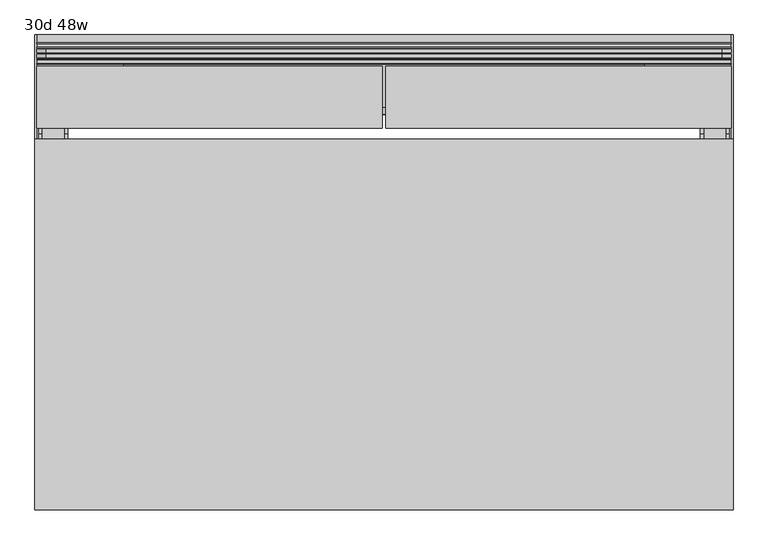
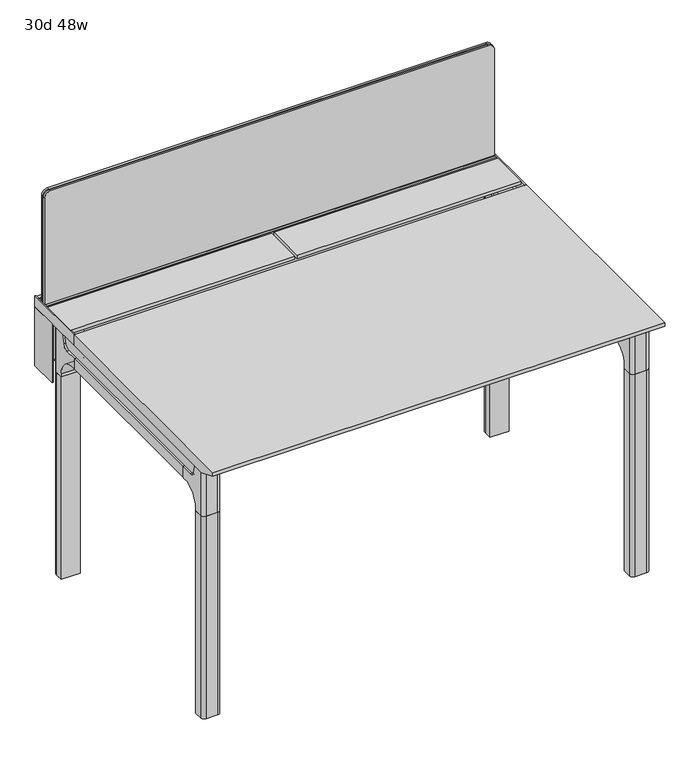
"""IFC4 building model written with IfcOpenShell, lengths in millimetres: furniture geometry, 30d 48w."""

from ifc_helpers import new_model, si_unit, point, frame, frame_2d, origin, place, context, project, spatial, polyline, circle_curve, trimmed, segment, composite_curve, outline, extrude, source, transform, mapped, element, save
from ifc_brep_helpers import plane_surface, cylinder_surface, revolved_surface, advanced_brep


def furniture_30d_48w_3d7915da(model_context):
    return source(origin(), model_context, "Body", "SolidModel", [
        extrude(outline(composite_curve([segment(polyline([(-171.6458172, 542.478661), (-293.447806, 542.478661)]), True, "CONTINUOUS"), segment(trimmed(circle_curve(frame_2d((-293.447806, 555.972411)), 13.49375), [point((-293.447806, 542.478661))], [point((-306.941556, 555.972411))], False, "CARTESIAN"), True, "CONTINUOUS"), segment(polyline([(-306.941556, 555.972411), (-306.941556, 579.126206), (-306.147806, 579.126206), (-306.147806, 555.972411)]), True, "CONTINUOUS"), segment(trimmed(circle_curve(frame_2d((-293.447806, 555.972411)), 12.7), [point((-306.147806, 555.972411))], [point((-293.447806, 543.272411))], True, "CARTESIAN"), True, "CONTINUOUS"), segment(polyline([(-293.447806, 543.272411), (-171.6458172, 543.272411), (-171.6458172, 542.478661)]), True, "CONTINUOUS")], self_intersect=False)), frame((-238.125, 0.0, 0.0), z_axis=(1.0, 0.0, 0.0), x_axis=(0.0, 1.0, 0.0)), (0.0, 0.0, 1.0), 908.05),
        extrude(outline(polyline([(-167.2415802, 542.478661), (-171.6458172, 542.478661), (-171.6458172, 543.272411), (-168.0353302, 543.272411), (-168.0353302, 738.7080593), (-179.9097266, 738.7080593), (-179.9097266, 729.9768093), (-180.7034766, 729.9768093), (-180.7034766, 739.5018093), (-167.2415802, 739.5018093), (-167.2415802, 542.478661)])), frame((-390.525, 0.0, 0.0), z_axis=(1.0, 0.0, 0.0), x_axis=(0.0, 1.0, 0.0)), (0.0, 0.0, 1.0), 1212.85),
        extrude(outline(composite_curve([segment(polyline([(1054.89375, 803.275), (1054.89375, -371.475)]), True, "CONTINUOUS"), segment(trimmed(circle_curve(frame_2d((1039.01875, -371.475)), 15.875), [point((1054.89375, -371.475))], [point((1039.01875, -387.35))], False, "CARTESIAN"), True, "CONTINUOUS"), segment(polyline([(1039.01875, -387.35), (720.725, -387.35), (720.725, 819.15), (1039.01875, 819.15)]), True, "CONTINUOUS"), segment(trimmed(circle_curve(frame_2d((1039.01875, 803.275)), 15.875), [point((1039.01875, 819.15))], [point((1054.89375, 803.275))], False, "CARTESIAN"), True, "CONTINUOUS")], self_intersect=False)), frame((0.0, -201.3409766, 0.0), z_axis=(0.0, 1.0, 0.0), x_axis=(0.0, 0.0, 1.0)), (0.0, 0.0, 1.0), 3.175),
        extrude(outline(composite_curve([segment(polyline([(1058.06875, 806.45), (1058.06875, -374.65)]), True, "CONTINUOUS"), segment(trimmed(circle_curve(frame_2d((1042.19375, -374.65)), 15.875), [point((1058.06875, -374.65))], [point((1042.19375, -390.525))], False, "CARTESIAN"), True, "CONTINUOUS"), segment(polyline([(1042.19375, -390.525), (717.55, -390.525), (717.55, 822.325), (1042.19375, 822.325)]), True, "CONTINUOUS"), segment(trimmed(circle_curve(frame_2d((1042.19375, 806.45)), 15.875), [point((1042.19375, 822.325))], [point((1058.06875, 806.45))], False, "CARTESIAN"), True, "CONTINUOUS")], self_intersect=False)), frame((0.0, -198.1659766, 0.0), z_axis=(0.0, 1.0, 0.0), x_axis=(0.0, 0.0, 1.0)), (0.0, 0.0, 1.0), 5.55625),
        extrude(outline(composite_curve([segment(polyline([(1058.06875, 806.45), (1058.06875, -374.65)]), True, "CONTINUOUS"), segment(trimmed(circle_curve(frame_2d((1042.19375, -374.65)), 15.875), [point((1058.06875, -374.65))], [point((1042.19375, -390.525))], False, "CARTESIAN"), True, "CONTINUOUS"), segment(polyline([(1042.19375, -390.525), (717.55, -390.525), (717.55, 822.325), (1042.19375, 822.325)]), True, "CONTINUOUS"), segment(trimmed(circle_curve(frame_2d((1042.19375, 806.45)), 15.875), [point((1042.19375, 822.325))], [point((1058.06875, 806.45))], False, "CARTESIAN"), True, "CONTINUOUS")], self_intersect=False)), frame((0.0, -206.8972266, 0.0), z_axis=(0.0, 1.0, 0.0), x_axis=(0.0, 0.0, 1.0)), (0.0, 0.0, 1.0), 5.55625),
        extrude(outline(polyline([(-218.8034766, 715.9625), (-218.8034766, 741.3625), (-217.2159766, 741.3625), (-217.2159766, 720.725), (-210.8659766, 720.725), (-210.8659766, 741.3625), (-209.2784766, 741.3625), (-209.2784766, 717.55), (-190.2284766, 717.55), (-190.2284766, 741.3625), (-188.6409766, 741.3625), (-188.6409766, 720.725), (-182.2909766, 720.725), (-182.2909766, 741.3625), (-180.7034766, 741.3625), (-180.7034766, 715.9625), (-218.8034766, 715.9625)])), frame((-390.525, 0.0, 0.0), z_axis=(1.0, 0.0, 0.0), x_axis=(0.0, 1.0, 0.0)), (0.0, 0.0, 1.0), 1212.85),
        extrude(outline(composite_curve([segment(polyline([(-280.7159766, 711.2), (-289.7740774, 677.3947076)]), True, "CONTINUOUS"), segment(trimmed(circle_curve(frame_2d((-305.1081499, 681.5034599)), 15.875), [point((-289.7740774, 677.3947076))], [point((-305.1081499, 665.6284599))], False, "CARTESIAN"), True, "CONTINUOUS"), segment(polyline([(-305.1081499, 665.6284599), (-881.0050533, 665.6284599)]), True, "CONTINUOUS"), segment(trimmed(circle_curve(frame_2d((-881.0050533, 681.5034599)), 15.875), [point((-881.0050533, 665.6284599))], [point((-896.3391258, 677.3947076))], False, "CARTESIAN"), True, "CONTINUOUS"), segment(polyline([(-896.3391258, 677.3947076), (-905.3972266, 711.2), (-280.7159766, 711.2)]), True, "CONTINUOUS")], self_intersect=False)), frame((774.7, 0.0, 0.0), z_axis=(1.0, 0.0, 0.0), x_axis=(0.0, 1.0, 0.0)), (0.0, 0.0, 1.0), 38.1),
        extrude(outline(polyline([(819.15, -341.0409766), (819.15, -845.0722266), (768.35, -845.0722266), (768.35, -341.0409766), (819.15, -341.0409766)])), frame((0.0, 0.0, 635.6476591), z_axis=(0.0, 0.0, 1.0), x_axis=(1.0, 0.0, 0.0)), (0.0, 0.0, 1.0), 29.9808008),
        extrude(outline(composite_curve([segment(polyline([(-280.7159766, 711.2), (-289.7740774, 677.3947076)]), True, "CONTINUOUS"), segment(trimmed(circle_curve(frame_2d((-305.1081499, 681.5034599)), 15.875), [point((-289.7740774, 677.3947076))], [point((-305.1081499, 665.6284599))], False, "CARTESIAN"), True, "CONTINUOUS"), segment(polyline([(-305.1081499, 665.6284599), (-881.0050533, 665.6284599)]), True, "CONTINUOUS"), segment(trimmed(circle_curve(frame_2d((-881.0050533, 681.5034599)), 15.875), [point((-881.0050533, 665.6284599))], [point((-896.3391258, 677.3947076))], False, "CARTESIAN"), True, "CONTINUOUS"), segment(polyline([(-896.3391258, 677.3947076), (-905.3972266, 711.2), (-280.7159766, 711.2)]), True, "CONTINUOUS")], self_intersect=False)), frame((-381.0, 0.0, 0.0), z_axis=(1.0, 0.0, 0.0), x_axis=(0.0, 1.0, 0.0)), (0.0, 0.0, 1.0), 38.1),
        extrude(outline(polyline([(-336.55, -341.0409766), (-336.55, -845.0722266), (-387.35, -845.0722266), (-387.35, -341.0409766), (-336.55, -341.0409766)])), frame((0.0, 0.0, 635.6476591), z_axis=(0.0, 0.0, 1.0), x_axis=(1.0, 0.0, 0.0)), (0.0, 0.0, 1.0), 29.9808008),
        advanced_brep(
        [(819.15, -280.6696478, 711.2), (819.15, -289.7277486, 677.3947076), (819.15, -305.0618211, 665.6284599), (819.15, -341.0409766, 665.6284599), (819.15, -341.0409766, 635.6476591), (819.15, -329.9284766, 635.6476591), (819.15, -279.1284766, 584.8476591), (819.15, -279.1284766, 576.659375), (819.15, -256.9034766, 576.659375), (819.15, -256.9034766, 711.2), (768.35, -279.1284766, 576.659375), (768.35, -279.1284766, 584.8476591), (768.35, -329.9284766, 635.6476591), (768.35, -341.0409766, 635.6476591), (768.35, -341.0409766, 665.6284599), (768.35, -305.0618211, 665.6284599), (768.35, -289.7277486, 677.3947076), (768.35, -280.6696478, 711.2), (768.35, -256.9034766, 711.2), (768.35, -256.9034766, 576.659375), (809.625, -247.3784766, 711.2), (777.875, -247.3784766, 711.2), (777.875, -247.3784766, 576.659375), (809.625, -247.3784766, 576.659375)],
        [
            (0, 1),
            (1, 2, circle_curve(frame((819.15, -305.0618211, 681.5034599), z_axis=(-1.0, 0.0, 0.0), x_axis=(0.0, 1.0, 0.0)), 15.875)),
            (2, 3),
            (3, 4),
            (4, 5),
            (5, 6, circle_curve(frame((819.15, -329.9284766, 584.8476591), z_axis=(-1.0, 0.0, 0.0), x_axis=(0.0, 1.0, 0.0)), 50.8)),
            (6, 7),
            (7, 8),
            (8, 9),
            (9, 0),
            (10, 11),
            (11, 12, circle_curve(frame((768.35, -329.9284766, 584.8476591), z_axis=(1.0, 0.0, 0.0), x_axis=(0.0, 1.0, 0.0)), 50.8)),
            (12, 13),
            (13, 14),
            (14, 15),
            (15, 16, circle_curve(frame((768.35, -305.0618211, 681.5034599), z_axis=(1.0, 0.0, 0.0), x_axis=(0.0, 1.0, 0.0)), 15.875)),
            (16, 17),
            (17, 18),
            (18, 19),
            (19, 10),
            (17, 0),
            (9, 20, circle_curve(frame((809.625, -256.9034766, 711.2), z_axis=(0.0, 0.0, 1.0), x_axis=(-1.0, 0.0, 0.0)), 9.525)),
            (20, 21),
            (21, 18, circle_curve(frame((777.875, -256.9034766, 711.2), z_axis=(0.0, 0.0, 1.0), x_axis=(-1.0, 0.0, 0.0)), 9.525)),
            (16, 1),
            (15, 2),
            (14, 3),
            (13, 4),
            (12, 5),
            (7, 10),
            (19, 22, circle_curve(frame((777.875, -256.9034766, 576.659375), z_axis=(0.0, 0.0, -1.0), x_axis=(-1.0, 0.0, 0.0)), 9.525)),
            (22, 23),
            (23, 8, circle_curve(frame((809.625, -256.9034766, 576.659375), z_axis=(0.0, 0.0, -1.0), x_axis=(-1.0, 0.0, 0.0)), 9.525)),
            (11, 6),
            (23, 20),
            (21, 22),
        ],
        [
            plane_surface(frame((819.15, -240.451947, 711.2), z_axis=(1.0, 0.0, 0.0), x_axis=(0.0, -1.0, 0.0))),
            plane_surface(frame((768.35, -240.451947, 711.2), z_axis=(-1.0, 0.0, 0.0), x_axis=(0.0, 1.0, 0.0))),
            plane_surface(frame((819.15, -240.451947, 711.2), z_axis=(0.0, 0.0, 1.0), x_axis=(-1.0, 0.0, 0.0))),
            plane_surface(frame((819.15, -280.6696478, 711.2), z_axis=(0.0, -0.9659258262890683, 0.2588190451025207), x_axis=(-1.0, 0.0, 0.0))),
            revolved_surface(polyline([(768.35, -289.1868211, 681.5034599), (819.15, -289.1868211, 681.5034599)]), (768.35, -305.0618211, 681.5034599), (-1.0, 0.0, 0.0)),
            plane_surface(frame((819.15, -305.0618211, 665.6284599), z_axis=(0.0, 0.0, 1.0), x_axis=(-1.0, 0.0, 0.0))),
            plane_surface(frame((819.15, -341.0409766, 665.6284599), z_axis=(0.0, -1.0, 0.0), x_axis=(-1.0, 0.0, 0.0))),
            plane_surface(frame((819.15, -341.0409766, 635.6476591), z_axis=(0.0, 0.0, -1.0), x_axis=(-1.0, 0.0, 0.0))),
            plane_surface(frame((819.15, -279.1284766, 576.659375), z_axis=(0.0, 0.0, -1.0), x_axis=(-1.0, 0.0, 0.0))),
            revolved_surface(polyline([(768.35, -279.1284766, 584.8476591), (819.15, -279.1284766, 584.8476591)]), (768.35, -329.9284766, 584.8476591), (-1.0, 0.0, 0.0)),
            plane_surface(frame((819.15, -279.1284766, 584.8476591), z_axis=(0.0, -1.0, 0.0), x_axis=(-1.0, 0.0, 0.0))),
            cylinder_surface(frame((809.625, -256.9034766, 524.9807374), z_axis=(0.0, 0.0, -1.0), x_axis=(-1.0, 0.0, 0.0)), 9.525),
            cylinder_surface(frame((777.875, -256.9034766, 524.9807374), z_axis=(0.0, 0.0, -1.0), x_axis=(-1.0, 0.0, 0.0)), 9.525),
            plane_surface(frame((777.875, -247.3784766, 711.2), z_axis=(0.0, 1.0, 0.0), x_axis=(0.0, 0.0, -1.0))),
        ],
        [
            (0, [[1, 2, 3, 4, 5, 6, 7, 8, 9, 10]]),
            (1, [[11, 12, 13, 14, 15, 16, 17, 18, 19, 20]]),
            (2, [[21, -10, 22, 23, 24, -18]]),
            (3, [[-1, -21, -17, 25]]),
            (4, [[-2, -25, -16, 26]]),
            (5, [[-3, -26, -15, 27]]),
            (6, [[-4, -27, -14, 28]]),
            (7, [[-5, -28, -13, 29]]),
            (8, [[30, -20, 31, 32, 33, -8]]),
            (9, [[-6, -29, -12, 34]]),
            (10, [[-7, -34, -11, -30]]),
            (11, [[35, -22, -9, -33]]),
            (12, [[36, -31, -19, -24]]),
            (13, [[-35, -32, -36, -23]]),
        ],
    ),
        advanced_brep(
        [(768.35, -279.1284766, 576.659375), (819.15, -279.1284766, 576.659375), (819.15, -256.9034766, 576.659375), (809.625, -247.3784766, 576.659375), (777.875, -247.3784766, 576.659375), (768.35, -256.9034766, 576.659375), (768.35, -279.1284766, 0.0), (768.35, -256.9034766, 0.0), (777.875, -247.3784766, 0.0), (809.625, -247.3784766, 0.0), (819.15, -256.9034766, 0.0), (819.15, -279.1284766, 0.0), (819.15, -256.9034766, 524.9807374), (809.625, -247.3784766, 524.9807374), (777.875, -247.3784766, 524.9807374), (768.35, -256.9034766, 524.9807374)],
        [
            (0, 1),
            (1, 2),
            (2, 3, circle_curve(frame((809.625, -256.9034766, 576.659375), z_axis=(0.0, 0.0, 1.0), x_axis=(-1.0, 0.0, 0.0)), 9.525)),
            (3, 4),
            (4, 5, circle_curve(frame((777.875, -256.9034766, 576.659375), z_axis=(0.0, 0.0, 1.0), x_axis=(-1.0, 0.0, 0.0)), 9.525)),
            (5, 0),
            (6, 7),
            (7, 8, circle_curve(frame((777.875, -256.9034766, 0.0), z_axis=(0.0, 0.0, -1.0), x_axis=(-1.0, 0.0, 0.0)), 9.525)),
            (8, 9),
            (9, 10, circle_curve(frame((809.625, -256.9034766, 0.0), z_axis=(0.0, 0.0, -1.0), x_axis=(-1.0, 0.0, 0.0)), 9.525)),
            (10, 11),
            (11, 6),
            (0, 6),
            (11, 1),
            (10, 12),
            (12, 2),
            (9, 13),
            (13, 3),
            (8, 14),
            (14, 4),
            (7, 15),
            (15, 5),
        ],
        [
            plane_surface(frame((826.3462903, -279.1284766, 576.659375), z_axis=(0.0, 0.0, 1.0), x_axis=(1.0, 0.0, 0.0))),
            plane_surface(frame((826.3462903, -279.1284766, 0.0), z_axis=(0.0, 0.0, -1.0), x_axis=(-1.0, 0.0, 0.0))),
            plane_surface(frame((768.35, -279.1284766, 576.659375), z_axis=(0.0, -1.0, 0.0), x_axis=(0.0, 0.0, -1.0))),
            plane_surface(frame((819.15, -279.1284766, 576.659375), z_axis=(1.0, 0.0, 0.0), x_axis=(0.0, 0.0, -1.0))),
            cylinder_surface(frame((809.625, -256.9034766, 0.0), z_axis=(0.0, 0.0, 1.0), x_axis=(-1.0, 0.0, 0.0)), 9.525),
            plane_surface(frame((809.625, -247.3784766, 576.659375), z_axis=(0.0, 1.0, 0.0), x_axis=(0.0, 0.0, -1.0))),
            cylinder_surface(frame((777.875, -256.9034766, 0.0), z_axis=(0.0, 0.0, 1.0), x_axis=(-1.0, 0.0, 0.0)), 9.525),
            plane_surface(frame((768.35, -256.9034766, 576.659375), z_axis=(-1.0, 0.0, 0.0), x_axis=(0.0, 0.0, -1.0))),
        ],
        [
            (0, [[1, 2, 3, 4, 5, 6]]),
            (1, [[7, 8, 9, 10, 11, 12]]),
            (2, [[-1, 13, -12, 14]]),
            (3, [[-2, -14, -11, 15, 16]]),
            (4, [[-3, -16, -15, -10, 17, 18]]),
            (5, [[-4, -18, -17, -9, 19, 20]]),
            (6, [[-5, -20, -19, -8, 21, 22]]),
            (7, [[-6, -22, -21, -7, -13]]),
        ],
    ),
        advanced_brep(
        [(768.35, -905.4435553, 711.2), (768.35, -896.3854545, 677.3947076), (768.35, -881.051382, 665.6284599), (768.35, -845.0722266, 665.6284599), (768.35, -845.0722266, 635.6476591), (768.35, -856.1847266, 635.6476591), (768.35, -906.9847266, 584.8476591), (768.35, -906.9847266, 576.659375), (768.35, -929.2097266, 576.659375), (768.35, -929.2097266, 711.2), (819.15, -906.9847266, 576.659375), (819.15, -906.9847266, 584.8476591), (819.15, -856.1847266, 635.6476591), (819.15, -845.0722266, 635.6476591), (819.15, -845.0722266, 665.6284599), (819.15, -881.051382, 665.6284599), (819.15, -896.3854545, 677.3947076), (819.15, -905.4435553, 711.2), (819.15, -929.2097266, 711.2), (819.15, -929.2097266, 576.659375), (777.875, -938.7347266, 711.2), (809.625, -938.7347266, 711.2), (809.625, -938.7347266, 576.659375), (777.875, -938.7347266, 576.659375)],
        [
            (0, 1),
            (1, 2, circle_curve(frame((768.35, -881.051382, 681.5034599), z_axis=(1.0, 0.0, 0.0), x_axis=(0.0, -1.0, 0.0)), 15.875)),
            (2, 3),
            (3, 4),
            (4, 5),
            (5, 6, circle_curve(frame((768.35, -856.1847266, 584.8476591), z_axis=(1.0, 0.0, 0.0), x_axis=(0.0, -1.0, 0.0)), 50.8)),
            (6, 7),
            (7, 8),
            (8, 9),
            (9, 0),
            (10, 11),
            (11, 12, circle_curve(frame((819.15, -856.1847266, 584.8476591), z_axis=(-1.0, 0.0, 0.0), x_axis=(0.0, -1.0, 0.0)), 50.8)),
            (12, 13),
            (13, 14),
            (14, 15),
            (15, 16, circle_curve(frame((819.15, -881.051382, 681.5034599), z_axis=(-1.0, 0.0, 0.0), x_axis=(0.0, -1.0, 0.0)), 15.875)),
            (16, 17),
            (17, 18),
            (18, 19),
            (19, 10),
            (17, 0),
            (9, 20, circle_curve(frame((777.875, -929.2097266, 711.2), z_axis=(0.0, 0.0, 1.0), x_axis=(1.0, 0.0, 0.0)), 9.525)),
            (20, 21),
            (21, 18, circle_curve(frame((809.625, -929.2097266, 711.2), z_axis=(0.0, 0.0, 1.0), x_axis=(1.0, 0.0, 0.0)), 9.525)),
            (16, 1),
            (15, 2),
            (14, 3),
            (13, 4),
            (12, 5),
            (7, 10),
            (19, 22, circle_curve(frame((809.625, -929.2097266, 576.659375), z_axis=(0.0, 0.0, -1.0), x_axis=(1.0, 0.0, 0.0)), 9.525)),
            (22, 23),
            (23, 8, circle_curve(frame((777.875, -929.2097266, 576.659375), z_axis=(0.0, 0.0, -1.0), x_axis=(1.0, 0.0, 0.0)), 9.525)),
            (11, 6),
            (23, 20),
            (21, 22),
        ],
        [
            plane_surface(frame((768.35, -945.6612561, 711.2), z_axis=(-1.0, 0.0, 0.0), x_axis=(0.0, 1.0, 0.0))),
            plane_surface(frame((819.15, -945.6612561, 711.2), z_axis=(1.0, 0.0, 0.0), x_axis=(0.0, -1.0, 0.0))),
            plane_surface(frame((768.35, -945.6612561, 711.2), z_axis=(0.0, 0.0, 1.0), x_axis=(1.0, 0.0, 0.0))),
            plane_surface(frame((768.35, -905.4435553, 711.2), z_axis=(0.0, 0.9659258262890683, 0.2588190451025207), x_axis=(1.0, 0.0, 0.0))),
            revolved_surface(polyline([(819.15, -896.926382, 681.5034599), (768.35, -896.926382, 681.5034599)]), (819.15, -881.051382, 681.5034599), (1.0, 0.0, 0.0)),
            plane_surface(frame((768.35, -881.051382, 665.6284599), z_axis=(0.0, 0.0, 1.0), x_axis=(1.0, 0.0, 0.0))),
            plane_surface(frame((768.35, -845.0722266, 665.6284599), z_axis=(0.0, 1.0, 0.0), x_axis=(1.0, 0.0, 0.0))),
            plane_surface(frame((768.35, -845.0722266, 635.6476591), z_axis=(0.0, 0.0, -1.0), x_axis=(1.0, 0.0, 0.0))),
            plane_surface(frame((768.35, -906.9847266, 576.659375), z_axis=(0.0, 0.0, -1.0), x_axis=(1.0, 0.0, 0.0))),
            revolved_surface(polyline([(819.15, -906.9847265999999, 584.8476591), (768.35, -906.9847265999999, 584.8476591)]), (819.15, -856.1847266, 584.8476591), (1.0, 0.0, 0.0)),
            plane_surface(frame((768.35, -906.9847266, 584.8476591), z_axis=(0.0, 1.0, 0.0), x_axis=(1.0, 0.0, 0.0))),
            cylinder_surface(frame((777.875, -929.2097266, 524.9807374), z_axis=(0.0, 0.0, -1.0), x_axis=(1.0, 0.0, 0.0)), 9.525),
            cylinder_surface(frame((809.625, -929.2097266, 524.9807374), z_axis=(0.0, 0.0, -1.0), x_axis=(1.0, 0.0, 0.0)), 9.525),
            plane_surface(frame((809.625, -938.7347266, 711.2), z_axis=(0.0, -1.0, 0.0), x_axis=(0.0, 0.0, -1.0))),
        ],
        [
            (0, [[1, 2, 3, 4, 5, 6, 7, 8, 9, 10]]),
            (1, [[11, 12, 13, 14, 15, 16, 17, 18, 19, 20]]),
            (2, [[21, -10, 22, 23, 24, -18]]),
            (3, [[-1, -21, -17, 25]]),
            (4, [[-2, -25, -16, 26]]),
            (5, [[-3, -26, -15, 27]]),
            (6, [[-4, -27, -14, 28]]),
            (7, [[-5, -28, -13, 29]]),
            (8, [[30, -20, 31, 32, 33, -8]]),
            (9, [[-6, -29, -12, 34]]),
            (10, [[-7, -34, -11, -30]]),
            (11, [[35, -22, -9, -33]]),
            (12, [[36, -31, -19, -24]]),
            (13, [[-35, -32, -36, -23]]),
        ],
    ),
        advanced_brep(
        [(819.15, -906.9847266, 576.659375), (768.35, -906.9847266, 576.659375), (768.35, -929.2097266, 576.659375), (777.875, -938.7347266, 576.659375), (809.625, -938.7347266, 576.659375), (819.15, -929.2097266, 576.659375), (819.15, -906.9847266, 0.0), (819.15, -929.2097266, 0.0), (809.625, -938.7347266, 0.0), (777.875, -938.7347266, 0.0), (768.35, -929.2097266, 0.0), (768.35, -906.9847266, 0.0), (768.35, -929.2097266, 524.9807374), (777.875, -938.7347266, 524.9807374), (809.625, -938.7347266, 524.9807374), (819.15, -929.2097266, 524.9807374)],
        [
            (0, 1),
            (1, 2),
            (2, 3, circle_curve(frame((777.875, -929.2097266, 576.659375), z_axis=(0.0, 0.0, 1.0), x_axis=(1.0, 0.0, 0.0)), 9.525)),
            (3, 4),
            (4, 5, circle_curve(frame((809.625, -929.2097266, 576.659375), z_axis=(0.0, 0.0, 1.0), x_axis=(1.0, 0.0, 0.0)), 9.525)),
            (5, 0),
            (6, 7),
            (7, 8, circle_curve(frame((809.625, -929.2097266, 0.0), z_axis=(0.0, 0.0, -1.0), x_axis=(1.0, 0.0, 0.0)), 9.525)),
            (8, 9),
            (9, 10, circle_curve(frame((777.875, -929.2097266, 0.0), z_axis=(0.0, 0.0, -1.0), x_axis=(1.0, 0.0, 0.0)), 9.525)),
            (10, 11),
            (11, 6),
            (0, 6),
            (11, 1),
            (10, 12),
            (12, 2),
            (9, 13),
            (13, 3),
            (8, 14),
            (14, 4),
            (7, 15),
            (15, 5),
        ],
        [
            plane_surface(frame((761.1537097, -906.9847266, 576.659375), z_axis=(0.0, 0.0, 1.0), x_axis=(-1.0, 0.0, 0.0))),
            plane_surface(frame((761.1537097, -906.9847266, 0.0), z_axis=(0.0, 0.0, -1.0), x_axis=(1.0, 0.0, 0.0))),
            plane_surface(frame((819.15, -906.9847266, 576.659375), z_axis=(0.0, 1.0, 0.0), x_axis=(0.0, 0.0, -1.0))),
            plane_surface(frame((768.35, -906.9847266, 576.659375), z_axis=(-1.0, 0.0, 0.0), x_axis=(0.0, 0.0, -1.0))),
            cylinder_surface(frame((777.875, -929.2097266, 0.0), z_axis=(0.0, 0.0, 1.0), x_axis=(1.0, 0.0, 0.0)), 9.525),
            plane_surface(frame((777.875, -938.7347266, 576.659375), z_axis=(0.0, -1.0, 0.0), x_axis=(0.0, 0.0, -1.0))),
            cylinder_surface(frame((809.625, -929.2097266, 0.0), z_axis=(0.0, 0.0, 1.0), x_axis=(1.0, 0.0, 0.0)), 9.525),
            plane_surface(frame((819.15, -929.2097266, 576.659375), z_axis=(1.0, 0.0, 0.0), x_axis=(0.0, 0.0, -1.0))),
        ],
        [
            (0, [[1, 2, 3, 4, 5, 6]]),
            (1, [[7, 8, 9, 10, 11, 12]]),
            (2, [[-1, 13, -12, 14]]),
            (3, [[-2, -14, -11, 15, 16]]),
            (4, [[-3, -16, -15, -10, 17, 18]]),
            (5, [[-4, -18, -17, -9, 19, 20]]),
            (6, [[-5, -20, -19, -8, 21, 22]]),
            (7, [[-6, -22, -21, -7, -13]]),
        ],
    ),
        advanced_brep(
        [(-336.55, -280.6696478, 711.2), (-336.55, -289.7277486, 677.3947076), (-336.55, -305.0618211, 665.6284599), (-336.55, -341.0409766, 665.6284599), (-336.55, -341.0409766, 635.6476591), (-336.55, -329.9284766, 635.6476591), (-336.55, -279.1284766, 584.8476591), (-336.55, -279.1284766, 576.659375), (-336.55, -256.9034766, 576.659375), (-336.55, -256.9034766, 711.2), (-387.35, -279.1284766, 576.659375), (-387.35, -279.1284766, 584.8476591), (-387.35, -329.9284766, 635.6476591), (-387.35, -341.0409766, 635.6476591), (-387.35, -341.0409766, 665.6284599), (-387.35, -305.0618211, 665.6284599), (-387.35, -289.7277486, 677.3947076), (-387.35, -280.6696478, 711.2), (-387.35, -256.9034766, 711.2), (-387.35, -256.9034766, 576.659375), (-346.075, -247.3784766, 711.2), (-377.825, -247.3784766, 711.2), (-377.825, -247.3784766, 576.659375), (-346.075, -247.3784766, 576.659375)],
        [
            (0, 1),
            (1, 2, circle_curve(frame((-336.55, -305.0618211, 681.5034599), z_axis=(-1.0, 0.0, 0.0), x_axis=(0.0, 1.0, 0.0)), 15.875)),
            (2, 3),
            (3, 4),
            (4, 5),
            (5, 6, circle_curve(frame((-336.55, -329.9284766, 584.8476591), z_axis=(-1.0, 0.0, 0.0), x_axis=(0.0, 1.0, 0.0)), 50.8)),
            (6, 7),
            (7, 8),
            (8, 9),
            (9, 0),
            (10, 11),
            (11, 12, circle_curve(frame((-387.35, -329.9284766, 584.8476591), z_axis=(1.0, 0.0, 0.0), x_axis=(0.0, 1.0, 0.0)), 50.8)),
            (12, 13),
            (13, 14),
            (14, 15),
            (15, 16, circle_curve(frame((-387.35, -305.0618211, 681.5034599), z_axis=(1.0, 0.0, 0.0), x_axis=(0.0, 1.0, 0.0)), 15.875)),
            (16, 17),
            (17, 18),
            (18, 19),
            (19, 10),
            (17, 0),
            (9, 20, circle_curve(frame((-346.075, -256.9034766, 711.2), z_axis=(0.0, 0.0, 1.0), x_axis=(-1.0, 0.0, 0.0)), 9.525)),
            (20, 21),
            (21, 18, circle_curve(frame((-377.825, -256.9034766, 711.2), z_axis=(0.0, 0.0, 1.0), x_axis=(-1.0, 0.0, 0.0)), 9.525)),
            (16, 1),
            (15, 2),
            (14, 3),
            (13, 4),
            (12, 5),
            (7, 10),
            (19, 22, circle_curve(frame((-377.825, -256.9034766, 576.659375), z_axis=(0.0, 0.0, -1.0), x_axis=(-1.0, 0.0, 0.0)), 9.525)),
            (22, 23),
            (23, 8, circle_curve(frame((-346.075, -256.9034766, 576.659375), z_axis=(0.0, 0.0, -1.0), x_axis=(-1.0, 0.0, 0.0)), 9.525)),
            (11, 6),
            (23, 20),
            (21, 22),
        ],
        [
            plane_surface(frame((-336.55, -240.451947, 711.2), z_axis=(1.0, 0.0, 0.0), x_axis=(0.0, -1.0, 0.0))),
            plane_surface(frame((-387.35, -240.451947, 711.2), z_axis=(-1.0, 0.0, 0.0), x_axis=(0.0, 1.0, 0.0))),
            plane_surface(frame((-336.55, -240.451947, 711.2), z_axis=(0.0, 0.0, 1.0), x_axis=(-1.0, 0.0, 0.0))),
            plane_surface(frame((-336.55, -280.6696478, 711.2), z_axis=(0.0, -0.9659258262890683, 0.2588190451025207), x_axis=(-1.0, 0.0, 0.0))),
            revolved_surface(polyline([(-387.35, -289.1868211, 681.5034599), (-336.55, -289.1868211, 681.5034599)]), (-387.35, -305.0618211, 681.5034599), (-1.0, 0.0, 0.0)),
            plane_surface(frame((-336.55, -305.0618211, 665.6284599), z_axis=(0.0, 0.0, 1.0), x_axis=(-1.0, 0.0, 0.0))),
            plane_surface(frame((-336.55, -341.0409766, 665.6284599), z_axis=(0.0, -1.0, 0.0), x_axis=(-1.0, 0.0, 0.0))),
            plane_surface(frame((-336.55, -341.0409766, 635.6476591), z_axis=(0.0, 0.0, -1.0), x_axis=(-1.0, 0.0, 0.0))),
            plane_surface(frame((-336.55, -279.1284766, 576.659375), z_axis=(0.0, 0.0, -1.0), x_axis=(-1.0, 0.0, 0.0))),
            revolved_surface(polyline([(-387.35, -279.1284766, 584.8476591), (-336.55, -279.1284766, 584.8476591)]), (-387.35, -329.9284766, 584.8476591), (-1.0, 0.0, 0.0)),
            plane_surface(frame((-336.55, -279.1284766, 584.8476591), z_axis=(0.0, -1.0, 0.0), x_axis=(-1.0, 0.0, 0.0))),
            cylinder_surface(frame((-346.075, -256.9034766, 524.9807374), z_axis=(0.0, 0.0, -1.0), x_axis=(-1.0, 0.0, 0.0)), 9.525),
            cylinder_surface(frame((-377.825, -256.9034766, 524.9807374), z_axis=(0.0, 0.0, -1.0), x_axis=(-1.0, 0.0, 0.0)), 9.525),
            plane_surface(frame((-377.825, -247.3784766, 711.2), z_axis=(0.0, 1.0, 0.0), x_axis=(0.0, 0.0, -1.0))),
        ],
        [
            (0, [[1, 2, 3, 4, 5, 6, 7, 8, 9, 10]]),
            (1, [[11, 12, 13, 14, 15, 16, 17, 18, 19, 20]]),
            (2, [[21, -10, 22, 23, 24, -18]]),
            (3, [[-1, -21, -17, 25]]),
            (4, [[-2, -25, -16, 26]]),
            (5, [[-3, -26, -15, 27]]),
            (6, [[-4, -27, -14, 28]]),
            (7, [[-5, -28, -13, 29]]),
            (8, [[30, -20, 31, 32, 33, -8]]),
            (9, [[-6, -29, -12, 34]]),
            (10, [[-7, -34, -11, -30]]),
            (11, [[35, -22, -9, -33]]),
            (12, [[36, -31, -19, -24]]),
            (13, [[-35, -32, -36, -23]]),
        ],
    ),
        advanced_brep(
        [(-387.35, -279.1284766, 576.659375), (-336.55, -279.1284766, 576.659375), (-336.55, -256.9034766, 576.659375), (-346.075, -247.3784766, 576.659375), (-377.825, -247.3784766, 576.659375), (-387.35, -256.9034766, 576.659375), (-387.35, -279.1284766, 0.0), (-387.35, -256.9034766, 0.0), (-377.825, -247.3784766, 0.0), (-346.075, -247.3784766, 0.0), (-336.55, -256.9034766, 0.0), (-336.55, -279.1284766, 0.0), (-336.55, -256.9034766, 524.9807374), (-346.075, -247.3784766, 524.9807374), (-377.825, -247.3784766, 524.9807374), (-387.35, -256.9034766, 524.9807374)],
        [
            (0, 1),
            (1, 2),
            (2, 3, circle_curve(frame((-346.075, -256.9034766, 576.659375), z_axis=(0.0, 0.0, 1.0), x_axis=(-1.0, 0.0, 0.0)), 9.525)),
            (3, 4),
            (4, 5, circle_curve(frame((-377.825, -256.9034766, 576.659375), z_axis=(0.0, 0.0, 1.0), x_axis=(-1.0, 0.0, 0.0)), 9.525)),
            (5, 0),
            (6, 7),
            (7, 8, circle_curve(frame((-377.825, -256.9034766, 0.0), z_axis=(0.0, 0.0, -1.0), x_axis=(-1.0, 0.0, 0.0)), 9.525)),
            (8, 9),
            (9, 10, circle_curve(frame((-346.075, -256.9034766, 0.0), z_axis=(0.0, 0.0, -1.0), x_axis=(-1.0, 0.0, 0.0)), 9.525)),
            (10, 11),
            (11, 6),
            (0, 6),
            (11, 1),
            (10, 12),
            (12, 2),
            (9, 13),
            (13, 3),
            (8, 14),
            (14, 4),
            (7, 15),
            (15, 5),
        ],
        [
            plane_surface(frame((-329.3537097, -279.1284766, 576.659375), z_axis=(0.0, 0.0, 1.0), x_axis=(1.0, 0.0, 0.0))),
            plane_surface(frame((-329.3537097, -279.1284766, 0.0), z_axis=(0.0, 0.0, -1.0), x_axis=(-1.0, 0.0, 0.0))),
            plane_surface(frame((-387.35, -279.1284766, 576.659375), z_axis=(0.0, -1.0, 0.0), x_axis=(0.0, 0.0, -1.0))),
            plane_surface(frame((-336.55, -279.1284766, 576.659375), z_axis=(1.0, 0.0, 0.0), x_axis=(0.0, 0.0, -1.0))),
            cylinder_surface(frame((-346.075, -256.9034766, 0.0), z_axis=(0.0, 0.0, 1.0), x_axis=(-1.0, 0.0, 0.0)), 9.525),
            plane_surface(frame((-346.075, -247.3784766, 576.659375), z_axis=(0.0, 1.0, 0.0), x_axis=(0.0, 0.0, -1.0))),
            cylinder_surface(frame((-377.825, -256.9034766, 0.0), z_axis=(0.0, 0.0, 1.0), x_axis=(-1.0, 0.0, 0.0)), 9.525),
            plane_surface(frame((-387.35, -256.9034766, 576.659375), z_axis=(-1.0, 0.0, 0.0), x_axis=(0.0, 0.0, -1.0))),
        ],
        [
            (0, [[1, 2, 3, 4, 5, 6]]),
            (1, [[7, 8, 9, 10, 11, 12]]),
            (2, [[-1, 13, -12, 14]]),
            (3, [[-2, -14, -11, 15, 16]]),
            (4, [[-3, -16, -15, -10, 17, 18]]),
            (5, [[-4, -18, -17, -9, 19, 20]]),
            (6, [[-5, -20, -19, -8, 21, 22]]),
            (7, [[-6, -22, -21, -7, -13]]),
        ],
    ),
        advanced_brep(
        [(-387.35, -905.4435553, 711.2), (-387.35, -896.3854545, 677.3947076), (-387.35, -881.051382, 665.6284599), (-387.35, -845.0722266, 665.6284599), (-387.35, -845.0722266, 635.6476591), (-387.35, -856.1847266, 635.6476591), (-387.35, -906.9847266, 584.8476591), (-387.35, -906.9847266, 576.659375), (-387.35, -929.2097266, 576.659375), (-387.35, -929.2097266, 711.2), (-336.55, -906.9847266, 576.659375), (-336.55, -906.9847266, 584.8476591), (-336.55, -856.1847266, 635.6476591), (-336.55, -845.0722266, 635.6476591), (-336.55, -845.0722266, 665.6284599), (-336.55, -881.051382, 665.6284599), (-336.55, -896.3854545, 677.3947076), (-336.55, -905.4435553, 711.2), (-336.55, -929.2097266, 711.2), (-336.55, -929.2097266, 576.659375), (-377.825, -938.7347266, 711.2), (-346.075, -938.7347266, 711.2), (-346.075, -938.7347266, 576.659375), (-377.825, -938.7347266, 576.659375)],
        [
            (0, 1),
            (1, 2, circle_curve(frame((-387.35, -881.051382, 681.5034599), z_axis=(1.0, 0.0, 0.0), x_axis=(0.0, -1.0, 0.0)), 15.875)),
            (2, 3),
            (3, 4),
            (4, 5),
            (5, 6, circle_curve(frame((-387.35, -856.1847266, 584.8476591), z_axis=(1.0, 0.0, 0.0), x_axis=(0.0, -1.0, 0.0)), 50.8)),
            (6, 7),
            (7, 8),
            (8, 9),
            (9, 0),
            (10, 11),
            (11, 12, circle_curve(frame((-336.55, -856.1847266, 584.8476591), z_axis=(-1.0, 0.0, 0.0), x_axis=(0.0, -1.0, 0.0)), 50.8)),
            (12, 13),
            (13, 14),
            (14, 15),
            (15, 16, circle_curve(frame((-336.55, -881.051382, 681.5034599), z_axis=(-1.0, 0.0, 0.0), x_axis=(0.0, -1.0, 0.0)), 15.875)),
            (16, 17),
            (17, 18),
            (18, 19),
            (19, 10),
            (17, 0),
            (9, 20, circle_curve(frame((-377.825, -929.2097266, 711.2), z_axis=(0.0, 0.0, 1.0), x_axis=(1.0, 0.0, 0.0)), 9.525)),
            (20, 21),
            (21, 18, circle_curve(frame((-346.075, -929.2097266, 711.2), z_axis=(0.0, 0.0, 1.0), x_axis=(1.0, 0.0, 0.0)), 9.525)),
            (16, 1),
            (15, 2),
            (14, 3),
            (13, 4),
            (12, 5),
            (7, 10),
            (19, 22, circle_curve(frame((-346.075, -929.2097266, 576.659375), z_axis=(0.0, 0.0, -1.0), x_axis=(1.0, 0.0, 0.0)), 9.525)),
            (22, 23),
            (23, 8, circle_curve(frame((-377.825, -929.2097266, 576.659375), z_axis=(0.0, 0.0, -1.0), x_axis=(1.0, 0.0, 0.0)), 9.525)),
            (11, 6),
            (23, 20),
            (21, 22),
        ],
        [
            plane_surface(frame((-387.35, -945.6612561, 711.2), z_axis=(-1.0, 0.0, 0.0), x_axis=(0.0, 1.0, 0.0))),
            plane_surface(frame((-336.55, -945.6612561, 711.2), z_axis=(1.0, 0.0, 0.0), x_axis=(0.0, -1.0, 0.0))),
            plane_surface(frame((-387.35, -945.6612561, 711.2), z_axis=(0.0, 0.0, 1.0), x_axis=(1.0, 0.0, 0.0))),
            plane_surface(frame((-387.35, -905.4435553, 711.2), z_axis=(0.0, 0.9659258262890683, 0.2588190451025207), x_axis=(1.0, 0.0, 0.0))),
            revolved_surface(polyline([(-336.55, -896.926382, 681.5034599), (-387.35, -896.926382, 681.5034599)]), (-336.55, -881.051382, 681.5034599), (1.0, 0.0, 0.0)),
            plane_surface(frame((-387.35, -881.051382, 665.6284599), z_axis=(0.0, 0.0, 1.0), x_axis=(1.0, 0.0, 0.0))),
            plane_surface(frame((-387.35, -845.0722266, 665.6284599), z_axis=(0.0, 1.0, 0.0), x_axis=(1.0, 0.0, 0.0))),
            plane_surface(frame((-387.35, -845.0722266, 635.6476591), z_axis=(0.0, 0.0, -1.0), x_axis=(1.0, 0.0, 0.0))),
            plane_surface(frame((-387.35, -906.9847266, 576.659375), z_axis=(0.0, 0.0, -1.0), x_axis=(1.0, 0.0, 0.0))),
            revolved_surface(polyline([(-336.55, -906.9847265999999, 584.8476591), (-387.35, -906.9847265999999, 584.8476591)]), (-336.55, -856.1847266, 584.8476591), (1.0, 0.0, 0.0)),
            plane_surface(frame((-387.35, -906.9847266, 584.8476591), z_axis=(0.0, 1.0, 0.0), x_axis=(1.0, 0.0, 0.0))),
            cylinder_surface(frame((-377.825, -929.2097266, 524.9807374), z_axis=(0.0, 0.0, -1.0), x_axis=(1.0, 0.0, 0.0)), 9.525),
            cylinder_surface(frame((-346.075, -929.2097266, 524.9807374), z_axis=(0.0, 0.0, -1.0), x_axis=(1.0, 0.0, 0.0)), 9.525),
            plane_surface(frame((-346.075, -938.7347266, 711.2), z_axis=(0.0, -1.0, 0.0), x_axis=(0.0, 0.0, -1.0))),
        ],
        [
            (0, [[1, 2, 3, 4, 5, 6, 7, 8, 9, 10]]),
            (1, [[11, 12, 13, 14, 15, 16, 17, 18, 19, 20]]),
            (2, [[21, -10, 22, 23, 24, -18]]),
            (3, [[-1, -21, -17, 25]]),
            (4, [[-2, -25, -16, 26]]),
            (5, [[-3, -26, -15, 27]]),
            (6, [[-4, -27, -14, 28]]),
            (7, [[-5, -28, -13, 29]]),
            (8, [[30, -20, 31, 32, 33, -8]]),
            (9, [[-6, -29, -12, 34]]),
            (10, [[-7, -34, -11, -30]]),
            (11, [[35, -22, -9, -33]]),
            (12, [[36, -31, -19, -24]]),
            (13, [[-35, -32, -36, -23]]),
        ],
    ),
        advanced_brep(
        [(-336.55, -906.9847266, 576.659375), (-387.35, -906.9847266, 576.659375), (-387.35, -929.2097266, 576.659375), (-377.825, -938.7347266, 576.659375), (-346.075, -938.7347266, 576.659375), (-336.55, -929.2097266, 576.659375), (-336.55, -906.9847266, 0.0), (-336.55, -929.2097266, 0.0), (-346.075, -938.7347266, 0.0), (-377.825, -938.7347266, 0.0), (-387.35, -929.2097266, 0.0), (-387.35, -906.9847266, 0.0), (-387.35, -929.2097266, 524.9807374), (-377.825, -938.7347266, 524.9807374), (-346.075, -938.7347266, 524.9807374), (-336.55, -929.2097266, 524.9807374)],
        [
            (0, 1),
            (1, 2),
            (2, 3, circle_curve(frame((-377.825, -929.2097266, 576.659375), z_axis=(0.0, 0.0, 1.0), x_axis=(1.0, 0.0, 0.0)), 9.525)),
            (3, 4),
            (4, 5, circle_curve(frame((-346.075, -929.2097266, 576.659375), z_axis=(0.0, 0.0, 1.0), x_axis=(1.0, 0.0, 0.0)), 9.525)),
            (5, 0),
            (6, 7),
            (7, 8, circle_curve(frame((-346.075, -929.2097266, 0.0), z_axis=(0.0, 0.0, -1.0), x_axis=(1.0, 0.0, 0.0)), 9.525)),
            (8, 9),
            (9, 10, circle_curve(frame((-377.825, -929.2097266, 0.0), z_axis=(0.0, 0.0, -1.0), x_axis=(1.0, 0.0, 0.0)), 9.525)),
            (10, 11),
            (11, 6),
            (0, 6),
            (11, 1),
            (10, 12),
            (12, 2),
            (9, 13),
            (13, 3),
            (8, 14),
            (14, 4),
            (7, 15),
            (15, 5),
        ],
        [
            plane_surface(frame((-394.5462903, -906.9847266, 576.659375), z_axis=(0.0, 0.0, 1.0), x_axis=(-1.0, 0.0, 0.0))),
            plane_surface(frame((-394.5462903, -906.9847266, 0.0), z_axis=(0.0, 0.0, -1.0), x_axis=(1.0, 0.0, 0.0))),
            plane_surface(frame((-336.55, -906.9847266, 576.659375), z_axis=(0.0, 1.0, 0.0), x_axis=(0.0, 0.0, -1.0))),
            plane_surface(frame((-387.35, -906.9847266, 576.659375), z_axis=(-1.0, 0.0, 0.0), x_axis=(0.0, 0.0, -1.0))),
            cylinder_surface(frame((-377.825, -929.2097266, 0.0), z_axis=(0.0, 0.0, 1.0), x_axis=(1.0, 0.0, 0.0)), 9.525),
            plane_surface(frame((-377.825, -938.7347266, 576.659375), z_axis=(0.0, -1.0, 0.0), x_axis=(0.0, 0.0, -1.0))),
            cylinder_surface(frame((-346.075, -929.2097266, 0.0), z_axis=(0.0, 0.0, 1.0), x_axis=(1.0, 0.0, 0.0)), 9.525),
            plane_surface(frame((-336.55, -929.2097266, 576.659375), z_axis=(1.0, 0.0, 0.0), x_axis=(0.0, 0.0, -1.0))),
        ],
        [
            (0, [[1, 2, 3, 4, 5, 6]]),
            (1, [[7, 8, 9, 10, 11, 12]]),
            (2, [[-1, 13, -12, 14]]),
            (3, [[-2, -14, -11, 15, 16]]),
            (4, [[-3, -16, -15, -10, 17, 18]]),
            (5, [[-4, -18, -17, -9, 19, 20]]),
            (6, [[-5, -20, -19, -8, 21, 22]]),
            (7, [[-6, -22, -21, -7, -13]]),
        ],
    ),
        extrude(outline(polyline([(-997.4722266, 741.3625), (-349.7722266, 741.3625), (-349.7722266, 711.2), (-946.6722266, 711.2), (-997.4722266, 731.8375), (-997.4722266, 741.3625)])), frame((-393.7, 0.0, 0.0), z_axis=(1.0, 0.0, 0.0), x_axis=(0.0, 1.0, 0.0)), (0.0, 0.0, 1.0), 1219.2),
        extrude(outline(polyline([(822.325, -247.3784766), (822.325, -167.2097266), (825.5, -167.2097266), (825.5, -247.3784766), (822.325, -247.3784766)])), frame((0.0, 0.0, 542.528125), z_axis=(0.0, 0.0, 1.0), x_axis=(1.0, 0.0, 0.0)), (0.0, 0.0, 1.0), 168.671875),
        extrude(outline(polyline([(-393.7, -247.3784766), (-393.7, -167.2097266), (-390.525, -167.2097266), (-390.525, -247.3784766), (-393.7, -247.3784766)])), frame((0.0, 0.0, 542.528125), z_axis=(0.0, 0.0, 1.0), x_axis=(1.0, 0.0, 0.0)), (0.0, 0.0, 1.0), 168.671875),
        extrude(outline(polyline([(212.725, -221.9784766), (212.725, -329.9284766), (-390.525, -329.9284766), (-390.525, -221.9784766), (212.725, -221.9784766)])), frame((0.0, 0.0, 731.8375), z_axis=(0.0, 0.0, 1.0), x_axis=(1.0, 0.0, 0.0)), (0.0, 0.0, 1.0), 9.525),
        extrude(outline(polyline([(822.325, -221.9784766), (822.325, -329.9284766), (219.075, -329.9284766), (219.075, -221.9784766), (822.325, -221.9784766)])), frame((0.0, 0.0, 731.8375), z_axis=(0.0, 0.0, 1.0), x_axis=(1.0, 0.0, 0.0)), (0.0, 0.0, 1.0), 9.525),
        extrude(outline(polyline([(768.35, -377.5534766), (768.35, -409.3034766), (-336.55, -409.3034766), (-336.55, -377.5534766), (768.35, -377.5534766)])), frame((0.0, 0.0, 646.1125), z_axis=(0.0, 0.0, 1.0), x_axis=(1.0, 0.0, 0.0)), (0.0, 0.0, 1.0), 50.8),
        extrude(outline(polyline([(825.5, -167.2097266), (825.5, -349.7722266), (822.325, -349.7722266), (822.325, -167.2097266), (825.5, -167.2097266)])), frame((0.0, 0.0, 711.2), z_axis=(0.0, 0.0, 1.0), x_axis=(1.0, 0.0, 0.0)), (0.0, 0.0, 1.0), 30.1625),
        extrude(outline(polyline([(-390.525, -167.2097266), (-390.525, -349.7722266), (-393.7, -349.7722266), (-393.7, -167.2097266), (-390.525, -167.2097266)])), frame((0.0, 0.0, 711.2), z_axis=(0.0, 0.0, 1.0), x_axis=(1.0, 0.0, 0.0)), (0.0, 0.0, 1.0), 30.1625),
    ])


if __name__ == "__main__":
    model = new_model("IFC4")
    model_context = context("Model", 3, world=origin())
    ifc_project = project(units=[si_unit("LENGTHUNIT", "METRE", prefix="MILLI")], contexts=[model_context])
    site = spatial("IfcSite", under=ifc_project)
    building = spatial("IfcBuilding", under=site)
    placement = place(None, origin())
    furniture_30d_48w_shape = furniture_30d_48w_3d7915da(model_context)
    element("IfcFurniture", 1, ObjectType="30d 48w", at=placement, inside=building, context=model_context, shape_type="MappedRepresentation", body=[
        mapped(furniture_30d_48w_shape, transform((0.0, 0.0, 0.0), x_axis=(1.0, 0.0, 0.0), y_axis=(0.0, 1.0, 0.0), z_axis=(0.0, 0.0, 1.0))),
    ])
    save(model, "model.ifc")
